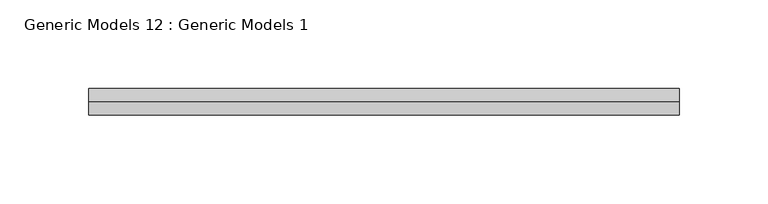
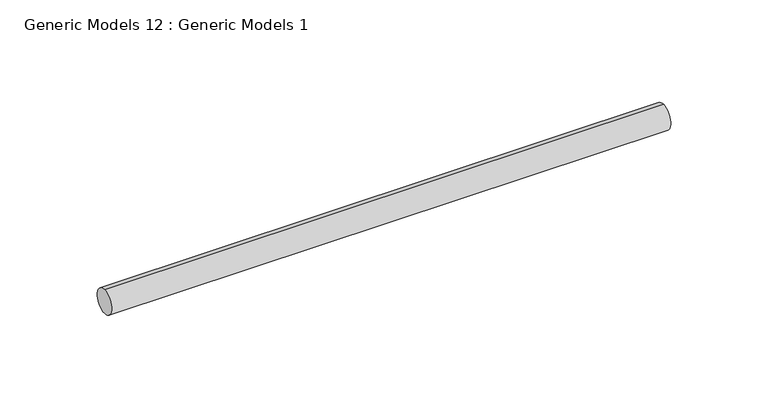
"""IFC4 building model written with IfcOpenShell, lengths in millimetres: proxy geometry, Generic Models 12 : Generic Models 1."""

from ifc_helpers import new_model, si_unit, point, frame, frame_2d, origin, place, context, project, spatial, circle_curve, trimmed, segment, composite_curve, outline, extrude, source, transform, mapped, element, save


def generic_models_12_generic_models_1_dff4e1af(model_context):
    return source(origin(), model_context, "Body", "SweptSolid", [
        extrude(outline(composite_curve([segment(trimmed(circle_curve(frame_2d((400.3057469, -814.107223)), 7.5), [point((400.3057469, -821.607223))], [point((400.3057469, -806.607223))], False, "CARTESIAN"), True, "CONTINUOUS"), segment(trimmed(circle_curve(frame_2d((400.3057469, -814.107223)), 7.5), [point((400.3057469, -806.607223))], [point((400.3057469, -821.607223))], False, "CARTESIAN"), True, "CONTINUOUS")], self_intersect=False)), frame((3782.6355903, 0.0, 0.0), z_axis=(1.0, 0.0, 0.0), x_axis=(0.0, 1.0, 0.0)), (0.0, 0.0, 1.0), 332.0),
    ])


if __name__ == "__main__":
    model = new_model("IFC4")
    model_context = context("Model", 3, world=origin())
    ifc_project = project(units=[si_unit("LENGTHUNIT", "METRE", prefix="MILLI")], contexts=[model_context])
    site = spatial("IfcSite", under=ifc_project)
    building = spatial("IfcBuilding", under=site)
    placement = place(None, origin())
    generic_models_12_generic_models_1_shape = generic_models_12_generic_models_1_dff4e1af(model_context)
    element("IfcBuildingElementProxy", 1, Name="Generic Models 12 : Generic Models 1", ObjectType="Generic Models 12 : Generic Models 1", at=placement, inside=building, context=model_context, shape_type="MappedRepresentation", body=[
        mapped(generic_models_12_generic_models_1_shape, transform((0.0, 0.0, 0.0), x_axis=(1.0, 0.0, 0.0), y_axis=(0.0, 1.0, 0.0), z_axis=(0.0, 0.0, 1.0))),
    ])
    save(model, "model.ifc")
